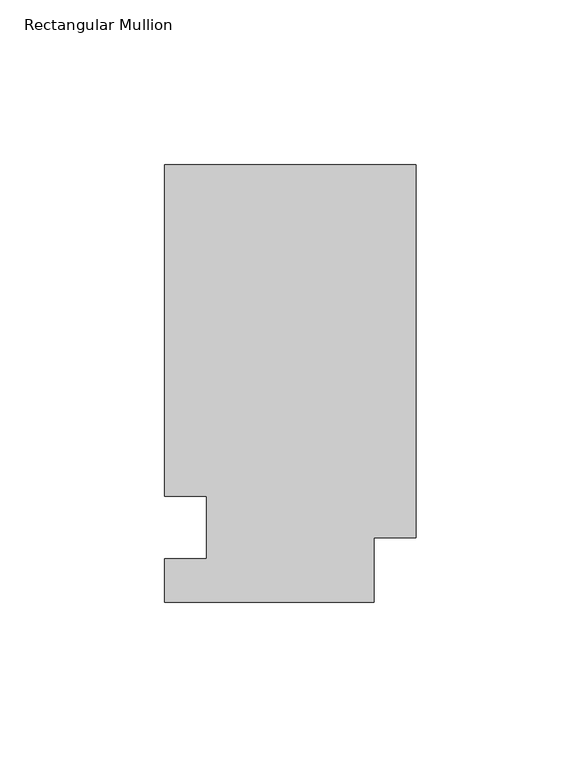
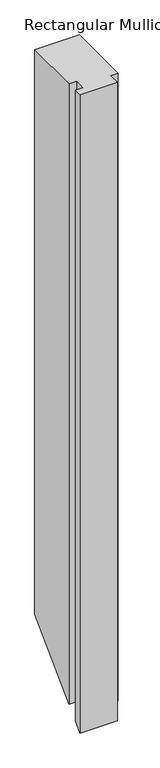
"""IFC4 building model written with IfcOpenShell, lengths in millimetres: member geometry, Rectangular Mullion."""

from ifc_helpers import new_model, si_unit, origin, place, context, project, spatial, faceted_brep, source, transform, mapped, element, save


def rectangular_mullion_bcf2124b(model_context):
    return source(origin(), model_context, "Body", "Brep", [
        faceted_brep([(0.0, 132.6522937, 0.0), (-76.2, 132.6522938, 0.0), (-76.2, 32.2460938, 0.0), (-63.5, 32.2460937, 0.0), (-63.5, 13.1960937, 0.0), (-76.2, 13.1960938, 0.0), (-76.2, 0.0134938, 0.0), (-12.7, 0.0134938, 0.0), (-12.7, 19.5460938, 0.0), (0.0, 19.5460937, 0.0), (0.0, 132.6522937, -1010.3612), (-76.2, 132.6522938, -1010.3612), (-76.2, 32.2460938, -1110.7674), (-63.5, 32.2460937, -1110.7674), (-63.5, 13.1960937, -1129.8174), (-76.2, 13.1960938, -1129.8174), (-76.2, 0.0134938, -1143.0), (-12.7, 0.0134938, -1143.0), (-12.7, 19.5460938, -1123.4674), (0.0, 19.5460937, -1123.4674)], [[[0, 1, 2, 3, 4, 5, 6, 7, 8, 9]], [[1, 0, 10, 11]], [[2, 1, 11, 12]], [[3, 2, 12, 13]], [[4, 3, 13, 14]], [[5, 4, 14, 15]], [[6, 5, 15, 16]], [[7, 6, 16, 17]], [[8, 7, 17, 18]], [[9, 8, 18, 19]], [[0, 9, 19, 10]], [[10, 19, 18, 17, 16, 15, 14, 13, 12, 11]]]),
    ])


if __name__ == "__main__":
    model = new_model("IFC4")
    model_context = context("Model", 3, world=origin())
    ifc_project = project(units=[si_unit("LENGTHUNIT", "METRE", prefix="MILLI")], contexts=[model_context])
    site = spatial("IfcSite", under=ifc_project)
    building = spatial("IfcBuilding", under=site)
    placement = place(None, origin())
    rectangular_mullion_shape = rectangular_mullion_bcf2124b(model_context)
    element("IfcMember", 1, ObjectType="Rectangular Mullion", at=placement, inside=building, context=model_context, shape_type="MappedRepresentation", body=[
        mapped(rectangular_mullion_shape, transform((0.0, 0.0, 0.0), x_axis=(1.0, 0.0, 0.0), y_axis=(0.0, 1.0, 0.0), z_axis=(0.0, 0.0, 1.0))),
    ])
    save(model, "model.ifc")
